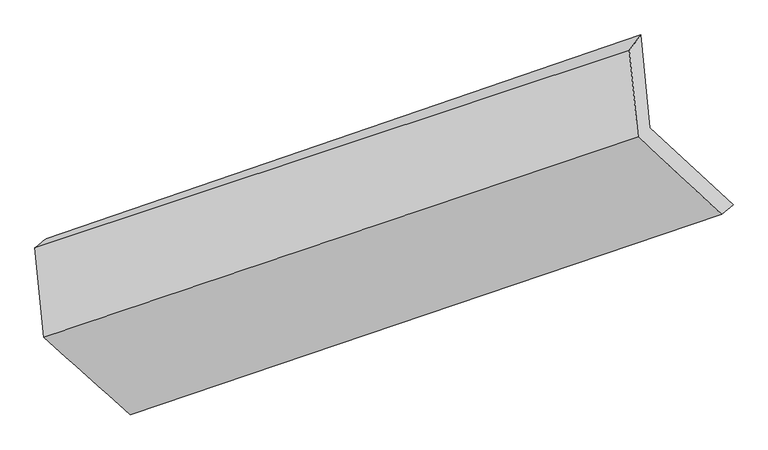
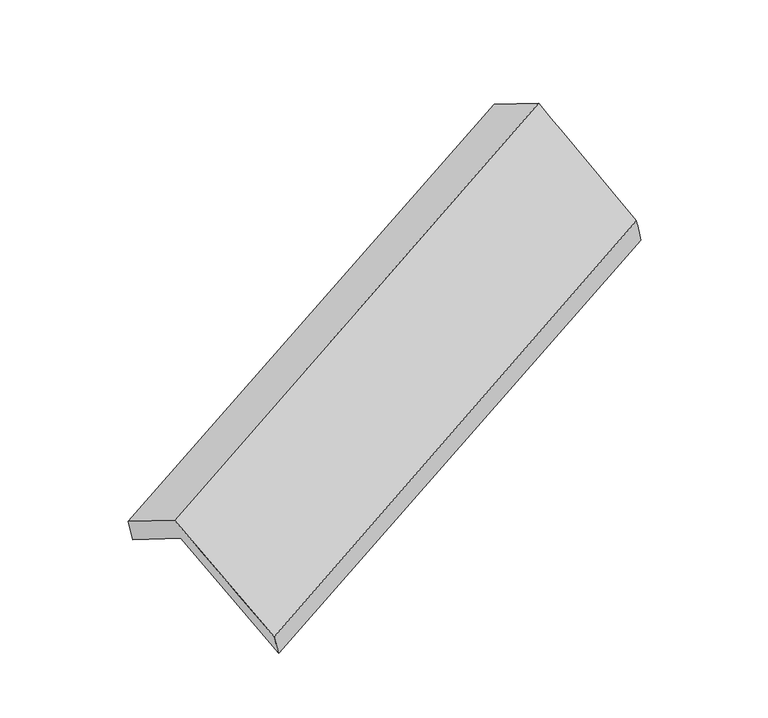
"""IFC4 building model written with IfcOpenShell, lengths in millimetres: proxy geometry."""

import ifcopenshell
import ifcopenshell.guid

model = None  # the IFC model being written
_history = None  # IfcOwnerHistory: only IFC2X3 demands one
_inside = {}  # id of a spatial element -> (the spatial element, [elements in it])
_under = {}  # id of a project, library or spatial element -> (it, [spatial elements below it])
_declared = {}  # id of a project -> (the project, [libraries it declares])
_typed = {}  # id of a type object -> (the type object, [elements of that type])
_made_of = {}  # id of a material, layer set ... -> (it, [elements and type objects made of it])


def new_model(schema):
    """Start an empty IFC model of exactly this schema.

    Asked for "IFC4X3", IfcOpenShell would pick the latest addendum, in which some entities
    have other attributes; the version numbers below select the first issue.
    IFC2X3 requires an IfcOwnerHistory on every rooted entity: one is made here for all.
    """
    global model, _history
    if schema == "IFC4X3":
        model = ifcopenshell.file(schema_version=(4, 3, 0, 0))
    else:
        model = ifcopenshell.file(schema=schema)
    _inside.clear()
    _under.clear()
    _declared.clear()
    _typed.clear()
    _made_of.clear()
    _history = None
    if model.schema == "IFC2X3":
        org = make("IfcOrganization", Name="unknown")
        user = make(
            "IfcPersonAndOrganization",
            ThePerson=make("IfcPerson", FamilyName="unknown"),
            TheOrganization=org,
        )
        app = make(
            "IfcApplication",
            ApplicationDeveloper=org,
            Version="unknown",
            ApplicationFullName="unknown",
            ApplicationIdentifier="unknown",
        )
        _history = make(
            "IfcOwnerHistory",
            OwningUser=user,
            OwningApplication=app,
            ChangeAction="ADDED",
            CreationDate=0,
        )
    return model


def make(cls, **values):
    """One entity of the class cls with the attributes given. An attribute that is None is left unset."""
    return model.create_entity(
        cls, **{name: value for name, value in values.items() if value is not None}
    )


def rooted(cls, **values):
    """An entity with a GlobalId (a new one), such as an element, a storey or a relation."""
    return make(cls, GlobalId=ifcopenshell.guid.new(), OwnerHistory=_history, **values)


def si_unit(unit_type, name, prefix=None):
    """IfcSIUnit, for example si_unit("LENGTHUNIT", "METRE", prefix="MILLI")."""
    return make("IfcSIUnit", UnitType=unit_type, Prefix=prefix, Name=name)


def assignment(units):
    """IfcUnitAssignment: the units of a project."""
    return None if units is None else make("IfcUnitAssignment", Units=units)


def point(xyz):
    """IfcCartesianPoint."""
    return None if xyz is None else make("IfcCartesianPoint", Coordinates=xyz)


def direction(xyz):
    """IfcDirection."""
    return None if xyz is None else make("IfcDirection", DirectionRatios=xyz)


def frame(location, z_axis=None, x_axis=None):
    """IfcAxis2Placement3D, a coordinate frame: its origin and axes. An axis left out is left unset."""
    return make(
        "IfcAxis2Placement3D",
        Location=point(location),
        Axis=direction(z_axis),
        RefDirection=direction(x_axis),
    )


def origin():
    """The frame at (0, 0, 0) with its axes left unset."""
    return frame((0.0, 0.0, 0.0))


def place(relative_to, where):
    """IfcLocalPlacement: puts the frame where relative to a parent placement (None: the world)."""
    return make(
        "IfcLocalPlacement", PlacementRelTo=relative_to, RelativePlacement=where
    )


def context(
    kind, dimensions, precision=None, world=None, true_north=None, identifier=None
):
    """IfcGeometricRepresentationContext, for example the 3D "Model" context."""
    return make(
        "IfcGeometricRepresentationContext",
        ContextIdentifier=identifier,
        ContextType=kind,
        CoordinateSpaceDimension=dimensions,
        Precision=precision,
        WorldCoordinateSystem=world,
        TrueNorth=true_north,
    )


def project(units=None, contexts=None):
    """IfcProject with its units and contexts."""
    return rooted(
        "IfcProject",
        Name="project",
        RepresentationContexts=contexts,
        UnitsInContext=assignment(units),
    )


def spatial(cls, under=None, at=None, **own):
    """A site, building, storey or space (cls), placed at a placement, below another one or the project."""
    s = rooted(cls, ObjectPlacement=at, **own)
    if under is not None:
        _under.setdefault(under.id(), (under, []))[1].append(s)
    return s


def shape(context_of_items, identifier, shape_type, items):
    """IfcShapeRepresentation: the items that make up one representation, for example the "Body"."""
    return make(
        "IfcShapeRepresentation",
        ContextOfItems=context_of_items,
        RepresentationIdentifier=identifier,
        RepresentationType=shape_type,
        Items=items,
    )


def source(mapping_origin, context_of_items, identifier, shape_type, items):
    """IfcRepresentationMap: a shape defined once, which mapped items show again and again."""
    return make(
        "IfcRepresentationMap",
        MappingOrigin=mapping_origin,
        MappedRepresentation=shape(context_of_items, identifier, shape_type, items),
    )


def transform(
    local_origin,
    x_axis=None,
    y_axis=None,
    z_axis=None,
    scale=None,
    scale2=None,
    scale3=None,
    uniform=True,
):
    """IfcCartesianTransformationOperator3D, or its non-uniform kind. x_axis, y_axis, z_axis: its Axis1, 2, 3."""
    if uniform:
        return make(
            "IfcCartesianTransformationOperator3D",
            Axis1=direction(x_axis),
            Axis2=direction(y_axis),
            LocalOrigin=point(local_origin),
            Scale=scale,
            Axis3=direction(z_axis),
        )
    return make(
        "IfcCartesianTransformationOperator3DnonUniform",
        Axis1=direction(x_axis),
        Axis2=direction(y_axis),
        LocalOrigin=point(local_origin),
        Scale=scale,
        Axis3=direction(z_axis),
        Scale2=scale2,
        Scale3=scale3,
    )


def mapped(mapping_source, mapping_target):
    """IfcMappedItem: shows the shape of a source again, moved by a transform."""
    return make(
        "IfcMappedItem", MappingSource=mapping_source, MappingTarget=mapping_target
    )


def made_of(thing, what):
    """Note that an element or type object is made of a material, layer set ...; save() writes the relation."""
    if what is not None:
        _made_of.setdefault(what.id(), (what, []))[1].append(thing)
    return thing


def element(
    cls,
    number,
    at=None,
    inside=None,
    cuts=None,
    type_object=None,
    material=None,
    context=None,
    identifier="Body",
    shape_type=None,
    held_by="IfcProductDefinitionShape",
    body=None,
    shapes=None,
    **own,
):
    """One element of the class cls, such as IfcWall. Its Tag is "e" and its number.

    at: its placement. inside: the storey or other place that contains it. cuts: it is an
    opening in that element (IfcRelVoidsElement). A single representation is given by context,
    identifier, shape_type and body (its items); several are given by shapes. held_by: the class
    of the entity that holds the representations. save() writes the other relations.
    """
    e = rooted(cls, Tag="e%d" % number, ObjectPlacement=at, **own)
    if body is not None:
        shapes = [shape(context, identifier, shape_type, body)]
    if shapes is not None:
        e.Representation = make(held_by, Representations=shapes)
    if inside is not None:
        _inside.setdefault(inside.id(), (inside, []))[1].append(e)
    if cuts is not None:
        rooted(
            "IfcRelVoidsElement", RelatingBuildingElement=cuts, RelatedOpeningElement=e
        )
    if type_object is not None:
        _typed.setdefault(type_object.id(), (type_object, []))[1].append(e)
    return made_of(e, material)


def aggregate(whole, parts):
    """IfcRelAggregates: a whole, such as a stair, and the parts it consists of."""
    return rooted("IfcRelAggregates", RelatingObject=whole, RelatedObjects=parts)


def save(model, path):
    """Write the relations noted so far, then the file.

    IfcRelAggregates (storeys below a building ...), IfcRelContainedInSpatialStructure (elements
    in a storey), IfcRelDefinesByType, IfcRelAssociatesMaterial and IfcRelDeclares: one each for
    every whole, place, type object, material and project.
    """
    for whole, parts in _under.values():
        aggregate(whole, parts)
    for where, things in _inside.values():
        rooted(
            "IfcRelContainedInSpatialStructure",
            RelatedElements=things,
            RelatingStructure=where,
        )
    for kind, things in _typed.values():
        rooted("IfcRelDefinesByType", RelatedObjects=things, RelatingType=kind)
    for what, things in _made_of.values():
        rooted("IfcRelAssociatesMaterial", RelatedObjects=things, RelatingMaterial=what)
    for by, libraries in _declared.values():
        rooted("IfcRelDeclares", RelatingContext=by, RelatedDefinitions=libraries)
    model.write(path)


def plane_surface(at):
    """IfcPlane: the flat surface through the origin of the frame at, square to its z axis."""
    return make("IfcPlane", Position=at)


def spline_surface(u_degree, v_degree, points, u_multiplicities, v_multiplicities, u_knots, v_knots, weights=None):
    """IfcBSplineSurfaceWithKnots; with weights, IfcRationalBSplineSurfaceWithKnots. points: one row for each step in u."""
    own = dict(
        UDegree=u_degree,
        VDegree=v_degree,
        ControlPointsList=[[point(p) for p in row] for row in points],
        SurfaceForm="UNSPECIFIED",
        UClosed=False,
        VClosed=False,
        SelfIntersect=False,
        UMultiplicities=u_multiplicities,
        VMultiplicities=v_multiplicities,
        UKnots=u_knots,
        VKnots=v_knots,
        KnotSpec="UNSPECIFIED",
    )
    if weights is None:
        return make("IfcBSplineSurfaceWithKnots", **own)
    return make("IfcRationalBSplineSurfaceWithKnots", WeightsData=weights, **own)


def advanced_brep(points, edges, surfaces, faces):
    """IfcAdvancedBrep: a solid bounded by faces that lie on surfaces and meet in shared edges.

    An edge is (start, end): straight between two places in points (the first is 0);
    or (start, end, curve); or (start, end, curve, False) where it runs against its curve.
    A face is (place in surfaces, loops), or (place, loops, False) where it looks against
    its surface's normal. A loop lists edges by number (the first is 1), with a minus sign
    where the edge is run from its end to its start. The first loop is the outer one.
    """
    corners = [point(p) for p in points]
    vertices = [make("IfcVertexPoint", VertexGeometry=c) for c in corners]
    made = []
    for start, end, *more in edges:
        made.append(
            make(
                "IfcEdgeCurve",
                EdgeStart=vertices[start],
                EdgeEnd=vertices[end],
                EdgeGeometry=more[0] if more else make("IfcPolyline", Points=[corners[start], corners[end]]),
                SameSense=more[1] if len(more) > 1 else True,
            )
        )
    hull = []
    for where, loops, *sense in faces:
        bounds = []
        for j, loop in enumerate(loops):
            ring = [make("IfcOrientedEdge", EdgeElement=made[abs(k) - 1], Orientation=k > 0) for k in loop]
            bounds.append(
                make(
                    "IfcFaceOuterBound" if j == 0 else "IfcFaceBound",
                    Bound=make("IfcEdgeLoop", EdgeList=ring),
                    Orientation=True,
                )
            )
        hull.append(make("IfcAdvancedFace", Bounds=bounds, FaceSurface=surfaces[where], SameSense=sense[0] if sense else True))
    return make("IfcAdvancedBrep", Outer=make("IfcClosedShell", CfsFaces=hull))


def generic_models_5869adc4(model_context):
    return source(origin(), model_context, "Body", "AdvancedBrep", [
        advanced_brep(
        [(-3828.5140221, -2251.7244005, 1019.8269331), (-4183.4849831, -1934.0953615, 1617.5352554), (-1700.1701538, -1083.272841, 2641.1491077), (-1352.4356724, -1405.603255, 2036.6940915), (-4221.9509811, -1546.602255, 1388.7725459), (-1738.6361518, -695.7797345, 2412.3863982), (-4268.9642284, -1584.9978236, 1534.8287014), (-1785.4975341, -759.5431096, 2583.9184503), (-4231.8431095, -1958.9430855, 1755.5932257), (-1749.6003067, -1121.1593138, 2797.4043195), (-3871.0147815, -2281.8133134, 1148.0221333), (-1400.1192377, -1445.1087168, 2189.9132695)],
        [
            (0, 1),
            (1, 2),
            (2, 3),
            (3, 0),
            (1, 4),
            (4, 5),
            (5, 2),
            (4, 6),
            (6, 7),
            (7, 5),
            (6, 8),
            (8, 9),
            (9, 7),
            (8, 10),
            (10, 11),
            (11, 9),
            (10, 0),
            (3, 11),
        ],
        [
            plane_surface(frame((-4005.9995026, -2092.909881, 1318.6810943), z_axis=(-0.08517289248737803, 0.8580021432208329, -0.506535191880871), x_axis=(-0.45264191329131365, 0.4195737354416158, 0.7868120352787874))),
            plane_surface(frame((-4202.7179821, -1740.3488083, 1503.1539006), z_axis=(0.4646727292275573, -0.4155049510418565, -0.7819430224587453), x_axis=(-0.08517289248734078, 0.8580021432208189, -0.506535191880901))),
            spline_surface(1, 1, [[(-4221.9509811, -1546.602255, 1388.7725459), (-1738.6361518, -695.7797345, 2412.3863982)], [(-4268.9642284, -1584.9978236, 1534.8287014), (-1785.4975341, -759.5431096, 2583.9184503)]], [2, 2], [2, 2], [0.0, 1.0], [0.0, 1.0]),
            plane_surface(frame((-4250.4036689, -1771.9704546, 1645.2109636), z_axis=(-0.46758062762814145, 0.4145055261805374, 0.7807390892178189), x_axis=(0.08517289248733896, -0.8580021432207956, 0.5065351918809409))),
            spline_surface(1, 1, [[(-4231.8431095, -1958.9430855, 1755.5932257), (-1749.6003067, -1121.1593138, 2797.4043195)], [(-3871.0147815, -2281.8133134, 1148.0221333), (-1400.1192377, -1445.1087168, 2189.9132695)]], [2, 2], [2, 2], [0.0, 1.0], [0.0, 1.0]),
            spline_surface(1, 1, [[(-3871.0147815, -2281.8133134, 1148.0221333), (-1400.1192377, -1445.1087168, 2189.9132695)], [(-3828.5140221, -2251.7244005, 1019.8269331), (-1352.4356724, -1405.603255, 2036.6940915)]], [2, 2], [2, 2], [0.0, 1.0], [0.0, 1.0]),
            plane_surface(frame((-1621.0765094, -1085.0778284, 2443.5776061), z_axis=(0.8876152751712427, 0.2962941152909205, 0.35263142305621326), x_axis=(0.45264191329130926, -0.41957373544168797, -0.7868120352787515))),
            plane_surface(frame((-4100.9620176, -1926.3627066, 1410.7631325), z_axis=(-0.8814982984353126, -0.3018646422785495, -0.36309570032939265), x_axis=(-0.3071577261141463, -0.2174559283368249, 0.9264810038633047))),
        ],
        [
            (0, [[1, 2, 3, 4]]),
            (1, [[5, 6, 7, -2]]),
            (2, [[8, 9, 10, -6]]),
            (3, [[11, 12, 13, -9]]),
            (4, [[14, 15, 16, -12]]),
            (5, [[17, -4, 18, -15]]),
            (6, [[-16, -18, -3, -7, -10, -13]]),
            (7, [[-17, -14, -11, -8, -5, -1]]),
        ],
    ),
    ])


if __name__ == "__main__":
    model = new_model("IFC4")
    model_context = context("Model", 3, world=origin())
    ifc_project = project(units=[si_unit("LENGTHUNIT", "METRE", prefix="MILLI")], contexts=[model_context])
    site = spatial("IfcSite", under=ifc_project)
    building = spatial("IfcBuilding", under=site)
    placement = place(None, origin())
    generic_models_shape = generic_models_5869adc4(model_context)
    element("IfcBuildingElementProxy", 1, Name="Generic Models", at=placement, inside=building, context=model_context, shape_type="MappedRepresentation", body=[
        mapped(generic_models_shape, transform((0.0, 0.0, 0.0), x_axis=(1.0, 0.0, 0.0), y_axis=(0.0, 1.0, 0.0), z_axis=(0.0, 0.0, 1.0))),
    ])
    save(model, "model.ifc")
